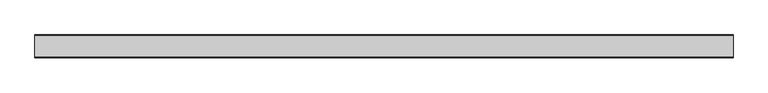
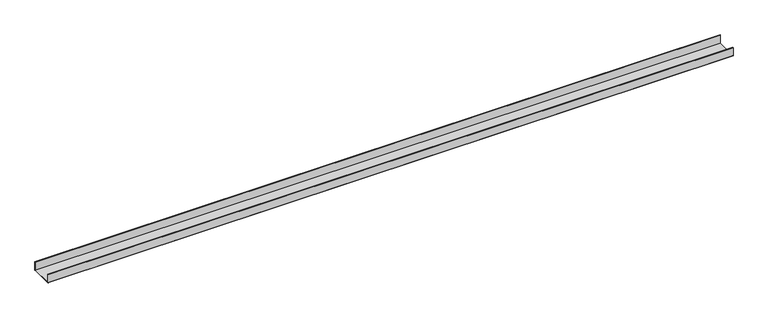
"""IFC4 building model written with IfcOpenShell, lengths in millimetres: proxy geometry."""

from ifc_helpers import new_model, si_unit, point, frame, frame_2d, origin, place, context, project, spatial, polyline, circle_curve, trimmed, segment, composite_curve, outline, extrude, source, transform, mapped, element, save


def generic_models_2d3edbaf(model_context):
    return source(origin(), model_context, "Body", "SweptSolid", [
        extrude(outline(composite_curve([segment(polyline([(-50.5, 2.0), (-50.5, 40.0), (-48.5, 40.0), (-48.5, 2.0), (48.5, 2.0), (48.5, 40.0), (50.5, 40.0), (50.5, 2.0)]), True, "CONTINUOUS"), segment(trimmed(circle_curve(frame_2d((48.5, 2.0)), 2.0), [point((50.5, 2.0))], [point((48.5, 0.0))], False, "CARTESIAN"), True, "CONTINUOUS"), segment(polyline([(48.5, 0.0), (-48.5, 0.0)]), True, "CONTINUOUS"), segment(trimmed(circle_curve(frame_2d((-48.5, 2.0)), 2.0), [point((-48.5, 0.0))], [point((-50.5, 2.0))], False, "CARTESIAN"), True, "CONTINUOUS")], self_intersect=False)), frame((0.0, 0.0, 0.0), z_axis=(1.0, 0.0, 0.0), x_axis=(0.0, 1.0, 0.0)), (0.0, 0.0, 1.0), 3100.0),
    ])


if __name__ == "__main__":
    model = new_model("IFC4")
    model_context = context("Model", 3, world=origin())
    ifc_project = project(units=[si_unit("LENGTHUNIT", "METRE", prefix="MILLI")], contexts=[model_context])
    site = spatial("IfcSite", under=ifc_project)
    building = spatial("IfcBuilding", under=site)
    placement = place(None, origin())
    generic_models_shape = generic_models_2d3edbaf(model_context)
    element("IfcBuildingElementProxy", 1, Name="Generic Models", at=placement, inside=building, context=model_context, shape_type="MappedRepresentation", body=[
        mapped(generic_models_shape, transform((0.0, 0.0, 0.0), x_axis=(1.0, 0.0, 0.0), y_axis=(0.0, 1.0, 0.0), z_axis=(0.0, 0.0, 1.0))),
    ])
    save(model, "model.ifc")
